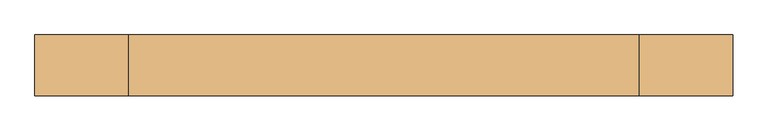
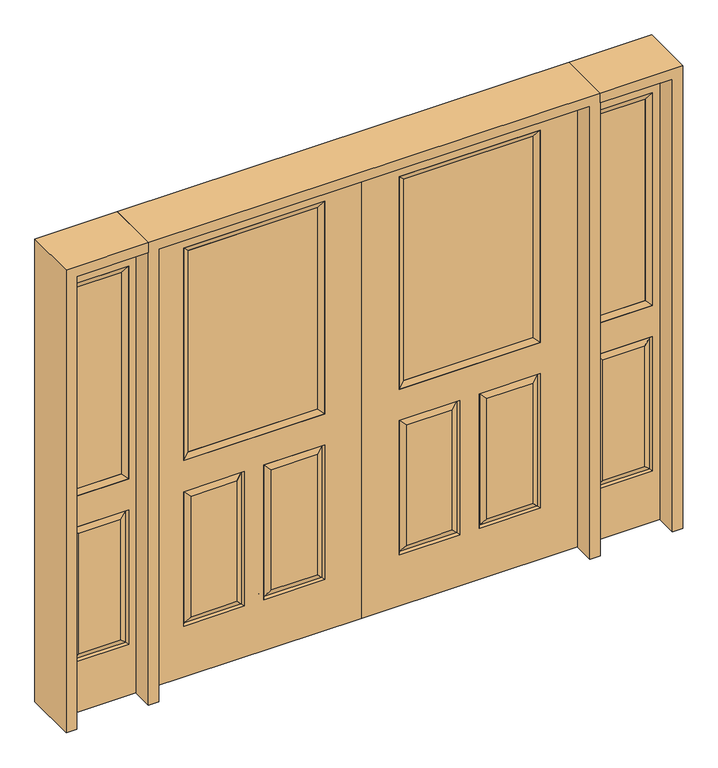
"""IFC4 building model written with IfcOpenShell, lengths in millimetres: door geometry."""

import ifcopenshell
import ifcopenshell.guid

model = None  # the IFC model being written
_history = None  # IfcOwnerHistory: only IFC2X3 demands one
_inside = {}  # id of a spatial element -> (the spatial element, [elements in it])
_under = {}  # id of a project, library or spatial element -> (it, [spatial elements below it])
_declared = {}  # id of a project -> (the project, [libraries it declares])
_typed = {}  # id of a type object -> (the type object, [elements of that type])
_made_of = {}  # id of a material, layer set ... -> (it, [elements and type objects made of it])


def new_model(schema):
    """Start an empty IFC model of exactly this schema.

    Asked for "IFC4X3", IfcOpenShell would pick the latest addendum, in which some entities
    have other attributes; the version numbers below select the first issue.
    IFC2X3 requires an IfcOwnerHistory on every rooted entity: one is made here for all.
    """
    global model, _history
    if schema == "IFC4X3":
        model = ifcopenshell.file(schema_version=(4, 3, 0, 0))
    else:
        model = ifcopenshell.file(schema=schema)
    _inside.clear()
    _under.clear()
    _declared.clear()
    _typed.clear()
    _made_of.clear()
    _history = None
    if model.schema == "IFC2X3":
        org = make("IfcOrganization", Name="unknown")
        user = make(
            "IfcPersonAndOrganization",
            ThePerson=make("IfcPerson", FamilyName="unknown"),
            TheOrganization=org,
        )
        app = make(
            "IfcApplication",
            ApplicationDeveloper=org,
            Version="unknown",
            ApplicationFullName="unknown",
            ApplicationIdentifier="unknown",
        )
        _history = make(
            "IfcOwnerHistory",
            OwningUser=user,
            OwningApplication=app,
            ChangeAction="ADDED",
            CreationDate=0,
        )
    return model


def make(cls, **values):
    """One entity of the class cls with the attributes given. An attribute that is None is left unset."""
    return model.create_entity(
        cls, **{name: value for name, value in values.items() if value is not None}
    )


def rooted(cls, **values):
    """An entity with a GlobalId (a new one), such as an element, a storey or a relation."""
    return make(cls, GlobalId=ifcopenshell.guid.new(), OwnerHistory=_history, **values)


def si_unit(unit_type, name, prefix=None):
    """IfcSIUnit, for example si_unit("LENGTHUNIT", "METRE", prefix="MILLI")."""
    return make("IfcSIUnit", UnitType=unit_type, Prefix=prefix, Name=name)


def assignment(units):
    """IfcUnitAssignment: the units of a project."""
    return None if units is None else make("IfcUnitAssignment", Units=units)


def point(xyz):
    """IfcCartesianPoint."""
    return None if xyz is None else make("IfcCartesianPoint", Coordinates=xyz)


def direction(xyz):
    """IfcDirection."""
    return None if xyz is None else make("IfcDirection", DirectionRatios=xyz)


def frame(location, z_axis=None, x_axis=None):
    """IfcAxis2Placement3D, a coordinate frame: its origin and axes. An axis left out is left unset."""
    return make(
        "IfcAxis2Placement3D",
        Location=point(location),
        Axis=direction(z_axis),
        RefDirection=direction(x_axis),
    )


def origin():
    """The frame at (0, 0, 0) with its axes left unset."""
    return frame((0.0, 0.0, 0.0))


def place(relative_to, where):
    """IfcLocalPlacement: puts the frame where relative to a parent placement (None: the world)."""
    return make(
        "IfcLocalPlacement", PlacementRelTo=relative_to, RelativePlacement=where
    )


def context(
    kind, dimensions, precision=None, world=None, true_north=None, identifier=None
):
    """IfcGeometricRepresentationContext, for example the 3D "Model" context."""
    return make(
        "IfcGeometricRepresentationContext",
        ContextIdentifier=identifier,
        ContextType=kind,
        CoordinateSpaceDimension=dimensions,
        Precision=precision,
        WorldCoordinateSystem=world,
        TrueNorth=true_north,
    )


def project(units=None, contexts=None):
    """IfcProject with its units and contexts."""
    return rooted(
        "IfcProject",
        Name="project",
        RepresentationContexts=contexts,
        UnitsInContext=assignment(units),
    )


def spatial(cls, under=None, at=None, **own):
    """A site, building, storey or space (cls), placed at a placement, below another one or the project."""
    s = rooted(cls, ObjectPlacement=at, **own)
    if under is not None:
        _under.setdefault(under.id(), (under, []))[1].append(s)
    return s


def polyline(points):
    """IfcPolyline through the points."""
    return make("IfcPolyline", Points=[point(p) for p in points])


def outline(outer, holes=None, kind="AREA"):
    """IfcArbitraryClosedProfileDef: a profile drawn as a closed curve; with holes, ...WithVoids."""
    if holes is None:
        return make("IfcArbitraryClosedProfileDef", ProfileType=kind, OuterCurve=outer)
    return make(
        "IfcArbitraryProfileDefWithVoids",
        ProfileType=kind,
        OuterCurve=outer,
        InnerCurves=holes,
    )


def extrude(swept, where, along, depth):
    """IfcExtrudedAreaSolid: the profile swept, set in the frame where, extruded along a direction by depth."""
    return make(
        "IfcExtrudedAreaSolid",
        SweptArea=swept,
        Position=where,
        ExtrudedDirection=direction(along),
        Depth=depth,
    )


def faces_of(points, faces, orient=None, outer=None):
    """IfcFace entities. A face is a list of loops; a loop is a list of indices into points, from 0.

    orient and outer hold one flag for each loop. By default every Orientation is true, the
    first loop of a face is its IfcFaceOuterBound and the others are IfcFaceBound.
    """
    made = []
    for i, loops in enumerate(faces):
        bounds = []
        for j, loop in enumerate(loops):
            is_outer = j == 0 if outer is None else outer[i][j]
            bounds.append(
                make(
                    "IfcFaceOuterBound" if is_outer else "IfcFaceBound",
                    Bound=make("IfcPolyLoop", Polygon=[points[k] for k in loop]),
                    Orientation=True if orient is None else orient[i][j],
                )
            )
        made.append(make("IfcFace", Bounds=bounds))
    return made


def faceted_brep(points, faces, orient=None, outer=None, voids=None):
    """IfcFacetedBrep: a solid bounded by flat faces; with voids (closed shells), ...WithVoids."""
    shared = [point(p) for p in points]
    hull = make("IfcClosedShell", CfsFaces=faces_of(shared, faces, orient, outer))
    if voids is None:
        return make("IfcFacetedBrep", Outer=hull)
    return make(
        "IfcFacetedBrepWithVoids",
        Outer=hull,
        Voids=[
            make(cls, CfsFaces=faces_of(shared, fs, o, b)) for cls, fs, o, b in voids
        ],
    )


def shape(context_of_items, identifier, shape_type, items):
    """IfcShapeRepresentation: the items that make up one representation, for example the "Body"."""
    return make(
        "IfcShapeRepresentation",
        ContextOfItems=context_of_items,
        RepresentationIdentifier=identifier,
        RepresentationType=shape_type,
        Items=items,
    )


def source(mapping_origin, context_of_items, identifier, shape_type, items):
    """IfcRepresentationMap: a shape defined once, which mapped items show again and again."""
    return make(
        "IfcRepresentationMap",
        MappingOrigin=mapping_origin,
        MappedRepresentation=shape(context_of_items, identifier, shape_type, items),
    )


def transform(
    local_origin,
    x_axis=None,
    y_axis=None,
    z_axis=None,
    scale=None,
    scale2=None,
    scale3=None,
    uniform=True,
):
    """IfcCartesianTransformationOperator3D, or its non-uniform kind. x_axis, y_axis, z_axis: its Axis1, 2, 3."""
    if uniform:
        return make(
            "IfcCartesianTransformationOperator3D",
            Axis1=direction(x_axis),
            Axis2=direction(y_axis),
            LocalOrigin=point(local_origin),
            Scale=scale,
            Axis3=direction(z_axis),
        )
    return make(
        "IfcCartesianTransformationOperator3DnonUniform",
        Axis1=direction(x_axis),
        Axis2=direction(y_axis),
        LocalOrigin=point(local_origin),
        Scale=scale,
        Axis3=direction(z_axis),
        Scale2=scale2,
        Scale3=scale3,
    )


def mapped(mapping_source, mapping_target):
    """IfcMappedItem: shows the shape of a source again, moved by a transform."""
    return make(
        "IfcMappedItem", MappingSource=mapping_source, MappingTarget=mapping_target
    )


def made_of(thing, what):
    """Note that an element or type object is made of a material, layer set ...; save() writes the relation."""
    if what is not None:
        _made_of.setdefault(what.id(), (what, []))[1].append(thing)
    return thing


def element(
    cls,
    number,
    at=None,
    inside=None,
    cuts=None,
    type_object=None,
    material=None,
    context=None,
    identifier="Body",
    shape_type=None,
    held_by="IfcProductDefinitionShape",
    body=None,
    shapes=None,
    **own,
):
    """One element of the class cls, such as IfcWall. Its Tag is "e" and its number.

    at: its placement. inside: the storey or other place that contains it. cuts: it is an
    opening in that element (IfcRelVoidsElement). A single representation is given by context,
    identifier, shape_type and body (its items); several are given by shapes. held_by: the class
    of the entity that holds the representations. save() writes the other relations.
    """
    e = rooted(cls, Tag="e%d" % number, ObjectPlacement=at, **own)
    if body is not None:
        shapes = [shape(context, identifier, shape_type, body)]
    if shapes is not None:
        e.Representation = make(held_by, Representations=shapes)
    if inside is not None:
        _inside.setdefault(inside.id(), (inside, []))[1].append(e)
    if cuts is not None:
        rooted(
            "IfcRelVoidsElement", RelatingBuildingElement=cuts, RelatedOpeningElement=e
        )
    if type_object is not None:
        _typed.setdefault(type_object.id(), (type_object, []))[1].append(e)
    return made_of(e, material)


def aggregate(whole, parts):
    """IfcRelAggregates: a whole, such as a stair, and the parts it consists of."""
    return rooted("IfcRelAggregates", RelatingObject=whole, RelatedObjects=parts)


def save(model, path):
    """Write the relations noted so far, then the file.

    IfcRelAggregates (storeys below a building ...), IfcRelContainedInSpatialStructure (elements
    in a storey), IfcRelDefinesByType, IfcRelAssociatesMaterial and IfcRelDeclares: one each for
    every whole, place, type object, material and project.
    """
    for whole, parts in _under.values():
        aggregate(whole, parts)
    for where, things in _inside.values():
        rooted(
            "IfcRelContainedInSpatialStructure",
            RelatedElements=things,
            RelatingStructure=where,
        )
    for kind, things in _typed.values():
        rooted("IfcRelDefinesByType", RelatedObjects=things, RelatingType=kind)
    for what, things in _made_of.values():
        rooted("IfcRelAssociatesMaterial", RelatedObjects=things, RelatingMaterial=what)
    for by, libraries in _declared.values():
        rooted("IfcRelDeclares", RelatingContext=by, RelatedDefinitions=libraries)
    model.write(path)


def door_78c6588a(model_context):
    return source(origin(), model_context, "Body", "SolidModel", [
        faceted_brep([(914.4, -22.225, 0.0), (914.4, -22.225, 2032.0), (0.0, -22.225, 2032.0), (0.0, -22.225, 0.0), (756.539, -22.225, 971.55), (157.861, -22.225, 971.55), (157.861, -22.225, 1925.574), (756.539, -22.225, 1925.574), (756.539, -22.225, 831.85), (756.539, -22.225, 228.6), (498.475, -22.225, 228.6), (498.475, -22.225, 831.85), (415.925, -22.225, 831.85), (415.925, -22.225, 228.6), (157.861, -22.225, 228.6), (157.861, -22.225, 831.85), (530.225, -22.225, 800.1), (530.225, -22.225, 260.35), (724.789, -22.225, 260.35), (724.789, -22.225, 800.1), (189.611, -22.225, 800.1), (189.611, -22.225, 260.35), (384.175, -22.225, 260.35), (384.175, -22.225, 800.1), (0.0, 22.225, 0.0), (914.4, 22.225, 0.0), (0.0, 22.225, 2032.0), (914.4, 22.225, 2032.0), (756.539, 22.225, 1925.574), (756.539, 22.225, 971.55), (157.861, 22.225, 971.55), (157.861, 22.225, 1925.574), (749.39525, -12.7449236, 824.70625), (505.61875, -12.7449236, 824.70625), (749.39525, -12.7449236, 235.74375), (505.61875, -12.7449236, 235.74375), (165.00475, -12.7449236, 824.70625), (408.78125, -12.7449236, 824.70625), (408.78125, -12.7449236, 235.74375), (165.00475, -12.7449236, 235.74375), (498.475, 22.225, 831.85), (498.475, 22.225, 228.6), (756.539, 22.225, 228.6), (756.539, 22.225, 831.85), (157.861, 22.225, 831.85), (157.861, 22.225, 228.6), (415.925, 22.225, 228.6), (415.925, 22.225, 831.85), (724.789, 22.225, 800.1), (724.789, 22.225, 260.35), (530.225, 22.225, 260.35), (530.225, 22.225, 800.1), (384.175, 22.225, 800.1), (384.175, 22.225, 260.35), (189.611, 22.225, 260.35), (189.611, 22.225, 800.1), (749.39525, 12.7449236, 824.70625), (505.61875, 12.7449236, 824.70625), (505.61875, 12.7449236, 235.74375), (749.39525, 12.7449236, 235.74375), (165.00475, 12.7449236, 824.70625), (408.78125, 12.7449236, 824.70625), (165.00475, 12.7449236, 235.74375), (408.78125, 12.7449236, 235.74375)], [[[0, 1, 2, 3], [4, 5, 6, 7], [8, 9, 10, 11], [12, 13, 14, 15]], [[16, 17, 18, 19]], [[20, 21, 22, 23]], [[3, 24, 25, 0]], [[2, 26, 24, 3]], [[0, 25, 27, 1]], [[7, 28, 29, 4]], [[5, 30, 31, 6]], [[4, 29, 30, 5]], [[16, 19, 32, 33]], [[19, 18, 34, 32]], [[35, 34, 18, 17]], [[33, 35, 17, 16]], [[32, 8, 11, 33]], [[11, 10, 35, 33]], [[10, 9, 34, 35]], [[32, 34, 9, 8]], [[36, 20, 23, 37]], [[23, 22, 38, 37]], [[22, 21, 39, 38]], [[36, 39, 21, 20]], [[37, 12, 15, 36]], [[15, 14, 39, 36]], [[38, 39, 14, 13]], [[37, 38, 13, 12]], [[25, 24, 26, 27], [29, 28, 31, 30], [40, 41, 42, 43], [44, 45, 46, 47]], [[48, 49, 50, 51]], [[52, 53, 54, 55]], [[56, 48, 51, 57]], [[51, 50, 58, 57]], [[50, 49, 59, 58]], [[56, 59, 49, 48]], [[57, 40, 43, 56]], [[43, 42, 59, 56]], [[58, 59, 42, 41]], [[57, 58, 41, 40]], [[52, 55, 60, 61]], [[55, 54, 62, 60]], [[63, 62, 54, 53]], [[61, 63, 53, 52]], [[60, 44, 47, 61]], [[47, 46, 63, 61]], [[46, 45, 62, 63]], [[60, 62, 45, 44]], [[1, 27, 26, 2]], [[6, 31, 28, 7]]]),
        extrude(outline(polyline([(183.261, -12.7), (183.261, 12.7), (731.139, 12.7), (731.139, -12.7), (183.261, -12.7)])), frame((0.0, 0.0, 996.95), z_axis=(0.0, 0.0, 1.0), x_axis=(1.0, 0.0, 0.0)), (0.0, 0.0, 1.0), 903.224),
        faceted_brep([(756.539, -22.225, 1925.574), (756.539, -22.225, 971.55), (756.539, 22.225, 971.55), (756.539, 22.225, 1925.574), (157.861, -22.225, 971.55), (157.861, 22.225, 971.55), (183.261, 12.7, 996.95), (731.139, 12.7, 996.95), (157.861, -22.225, 1925.574), (157.861, 22.225, 1925.574), (731.139, -12.7, 996.95), (183.261, -12.7, 996.95), (731.139, -12.7, 1900.174), (183.261, -12.7, 1900.174), (731.139, 12.7, 1900.174), (183.261, 12.7, 1900.174)], [[[0, 1, 2, 3]], [[1, 4, 5, 2]], [[2, 5, 6, 7]], [[4, 8, 9, 5]], [[10, 11, 4, 1]], [[12, 10, 1, 0]], [[11, 13, 8, 4]], [[7, 6, 11, 10]], [[14, 7, 10, 12]], [[6, 15, 13, 11]], [[3, 2, 7, 14]], [[5, 9, 15, 6]], [[8, 0, 3, 9]], [[13, 12, 0, 8]], [[15, 14, 12, 13]], [[9, 3, 14, 15]]]),
        faceted_brep([(-914.4, -22.225, 0.0), (0.0, -22.225, 0.0), (0.0, -22.225, 2032.0), (-914.4, -22.225, 2032.0), (-756.539, -22.225, 971.55), (-756.539, -22.225, 1925.574), (-157.861, -22.225, 1925.574), (-157.861, -22.225, 971.55), (-756.539, -22.225, 831.85), (-498.475, -22.225, 831.85), (-498.475, -22.225, 228.6), (-756.539, -22.225, 228.6), (-415.925, -22.225, 831.85), (-157.861, -22.225, 831.85), (-157.861, -22.225, 228.6), (-415.925, -22.225, 228.6), (-530.225, -22.225, 800.1), (-724.789, -22.225, 800.1), (-724.789, -22.225, 260.35), (-530.225, -22.225, 260.35), (-189.611, -22.225, 800.1), (-384.175, -22.225, 800.1), (-384.175, -22.225, 260.35), (-189.611, -22.225, 260.35), (-914.4, 22.225, 0.0), (0.0, 22.225, 0.0), (0.0, 22.225, 2032.0), (-914.4, 22.225, 2032.0), (-756.539, 22.225, 971.55), (-756.539, 22.225, 1925.574), (-157.861, 22.225, 1925.574), (-157.861, 22.225, 971.55), (-505.61875, -12.7449236, 824.70625), (-749.39525, -12.7449236, 824.70625), (-749.39525, -12.7449236, 235.74375), (-505.61875, -12.7449236, 235.74375), (-165.00475, -12.7449236, 824.70625), (-408.78125, -12.7449236, 824.70625), (-408.78125, -12.7449236, 235.74375), (-165.00475, -12.7449236, 235.74375), (-498.475, 22.225, 831.85), (-756.539, 22.225, 831.85), (-756.539, 22.225, 228.6), (-498.475, 22.225, 228.6), (-157.861, 22.225, 831.85), (-415.925, 22.225, 831.85), (-415.925, 22.225, 228.6), (-157.861, 22.225, 228.6), (-724.789, 22.225, 800.1), (-530.225, 22.225, 800.1), (-530.225, 22.225, 260.35), (-724.789, 22.225, 260.35), (-384.175, 22.225, 800.1), (-189.611, 22.225, 800.1), (-189.611, 22.225, 260.35), (-384.175, 22.225, 260.35), (-749.39525, 12.7449236, 824.70625), (-505.61875, 12.7449236, 824.70625), (-505.61875, 12.7449236, 235.74375), (-749.39525, 12.7449236, 235.74375), (-408.78125, 12.7449236, 824.70625), (-165.00475, 12.7449236, 824.70625), (-165.00475, 12.7449236, 235.74375), (-408.78125, 12.7449236, 235.74375)], [[[0, 1, 2, 3], [4, 5, 6, 7], [8, 9, 10, 11], [12, 13, 14, 15]], [[16, 17, 18, 19]], [[20, 21, 22, 23]], [[1, 0, 24, 25]], [[2, 1, 25, 26]], [[0, 3, 27, 24]], [[5, 4, 28, 29]], [[7, 6, 30, 31]], [[4, 7, 31, 28]], [[16, 32, 33, 17]], [[17, 33, 34, 18]], [[35, 19, 18, 34]], [[32, 16, 19, 35]], [[33, 32, 9, 8]], [[9, 32, 35, 10]], [[10, 35, 34, 11]], [[33, 8, 11, 34]], [[36, 37, 21, 20]], [[21, 37, 38, 22]], [[22, 38, 39, 23]], [[36, 20, 23, 39]], [[37, 36, 13, 12]], [[13, 36, 39, 14]], [[38, 15, 14, 39]], [[37, 12, 15, 38]], [[24, 27, 26, 25], [28, 31, 30, 29], [40, 41, 42, 43], [44, 45, 46, 47]], [[48, 49, 50, 51]], [[52, 53, 54, 55]], [[56, 57, 49, 48]], [[49, 57, 58, 50]], [[50, 58, 59, 51]], [[56, 48, 51, 59]], [[57, 56, 41, 40]], [[41, 56, 59, 42]], [[58, 43, 42, 59]], [[57, 40, 43, 58]], [[52, 60, 61, 53]], [[53, 61, 62, 54]], [[63, 55, 54, 62]], [[60, 52, 55, 63]], [[61, 60, 45, 44]], [[45, 60, 63, 46]], [[46, 63, 62, 47]], [[61, 44, 47, 62]], [[3, 2, 26, 27]], [[6, 5, 29, 30]]]),
        extrude(outline(polyline([(-183.261, -12.7), (-731.139, -12.7), (-731.139, 12.7), (-183.261, 12.7), (-183.261, -12.7)])), frame((0.0, 0.0, 996.95), z_axis=(0.0, 0.0, 1.0), x_axis=(1.0, 0.0, 0.0)), (0.0, 0.0, 1.0), 903.224),
        faceted_brep([(-756.539, -22.225, 1925.574), (-756.539, 22.225, 1925.574), (-756.539, 22.225, 971.55), (-756.539, -22.225, 971.55), (-157.861, 22.225, 971.55), (-157.861, -22.225, 971.55), (-731.139, 12.7, 996.95), (-183.261, 12.7, 996.95), (-157.861, 22.225, 1925.574), (-157.861, -22.225, 1925.574), (-731.139, -12.7, 996.95), (-183.261, -12.7, 996.95), (-731.139, -12.7, 1900.174), (-183.261, -12.7, 1900.174), (-731.139, 12.7, 1900.174), (-183.261, 12.7, 1900.174)], [[[0, 1, 2, 3]], [[3, 2, 4, 5]], [[2, 6, 7, 4]], [[5, 4, 8, 9]], [[10, 3, 5, 11]], [[12, 0, 3, 10]], [[11, 5, 9, 13]], [[6, 10, 11, 7]], [[14, 12, 10, 6]], [[7, 11, 13, 15]], [[1, 14, 6, 2]], [[4, 7, 15, 8]], [[9, 8, 1, 0]], [[13, 9, 0, 12]], [[15, 13, 12, 14]], [[8, 15, 14, 1]]]),
        faceted_brep([(1263.65, -22.225, 0.0), (1263.65, -22.225, 2032.0), (958.85, -22.225, 2032.0), (958.85, -22.225, 0.0), (989.838, -22.225, 1925.574), (1232.662, -22.225, 1925.574), (1232.662, -22.225, 971.55), (989.838, -22.225, 971.55), (989.838, -22.225, 228.6), (989.838, -22.225, 831.85), (1232.662, -22.225, 831.85), (1232.662, -22.225, 228.6), (1200.7559872, -22.225, 260.5060128), (1200.7559872, -22.225, 799.9439872), (1021.7440128, -22.225, 799.9439872), (1021.7440128, -22.225, 260.5060128), (958.85, 22.225, 0.0), (1263.65, 22.225, 0.0), (958.85, 22.225, 2032.0), (1263.65, 22.225, 2032.0), (989.838, 22.225, 971.55), (989.838, 22.225, 1925.574), (1232.662, 22.225, 971.55), (1232.662, 22.225, 1925.574), (1232.662, 22.225, 228.6), (1232.662, 22.225, 831.85), (989.838, 22.225, 831.85), (989.838, 22.225, 228.6), (1021.7440128, 22.225, 260.5060128), (1021.7440128, 22.225, 799.9439872), (1200.7559872, 22.225, 799.9439872), (1200.7559872, 22.225, 260.5060128), (1225.7419933, -13.0418409, 235.5200067), (996.7580067, -13.0418409, 235.5200067), (1225.7419933, -13.0418409, 824.9299933), (996.7580067, -13.0418409, 824.9299933), (1225.7419933, 13.0418409, 235.5200067), (996.7580067, 13.0418409, 235.5200067), (996.7580067, 13.0418409, 824.9299933), (1225.7419933, 13.0418409, 824.9299933)], [[[0, 1, 2, 3], [4, 5, 6, 7], [8, 9, 10, 11]], [[12, 13, 14, 15]], [[3, 16, 17, 0]], [[2, 18, 16, 3]], [[0, 17, 19, 1]], [[7, 20, 21, 4]], [[6, 22, 20, 7]], [[5, 23, 22, 6]], [[17, 16, 18, 19], [21, 20, 22, 23], [24, 25, 26, 27]], [[28, 29, 30, 31]], [[1, 19, 18, 2]], [[4, 21, 23, 5]], [[8, 11, 32, 33]], [[11, 10, 34, 32]], [[35, 34, 10, 9]], [[33, 35, 9, 8]], [[32, 12, 15, 33]], [[15, 14, 35, 33]], [[14, 13, 34, 35]], [[32, 34, 13, 12]], [[36, 24, 27, 37]], [[27, 26, 38, 37]], [[26, 25, 39, 38]], [[36, 39, 25, 24]], [[37, 28, 31, 36]], [[31, 30, 39, 36]], [[38, 39, 30, 29]], [[37, 38, 29, 28]]]),
        extrude(outline(polyline([(1015.238, -12.7), (1015.238, 12.7), (1207.262, 12.7), (1207.262, -12.7), (1015.238, -12.7)])), frame((0.0, 0.0, 996.95), z_axis=(0.0, 0.0, 1.0), x_axis=(1.0, 0.0, 0.0)), (0.0, 0.0, 1.0), 903.224),
        faceted_brep([(1232.662, -22.225, 1925.574), (1232.662, -22.225, 971.55), (1232.662, 22.225, 971.55), (1232.662, 22.225, 1925.574), (989.838, -22.225, 971.55), (989.838, 22.225, 971.55), (1015.238, 12.7, 996.95), (1207.262, 12.7, 996.95), (989.838, -22.225, 1925.574), (989.838, 22.225, 1925.574), (1207.262, -12.7, 996.95), (1015.238, -12.7, 996.95), (1207.262, -12.7, 1900.174), (1015.238, -12.7, 1900.174), (1207.262, 12.7, 1900.174), (1015.238, 12.7, 1900.174)], [[[0, 1, 2, 3]], [[1, 4, 5, 2]], [[2, 5, 6, 7]], [[4, 8, 9, 5]], [[10, 11, 4, 1]], [[12, 10, 1, 0]], [[11, 13, 8, 4]], [[7, 6, 11, 10]], [[14, 7, 10, 12]], [[6, 15, 13, 11]], [[3, 2, 7, 14]], [[5, 9, 15, 6]], [[8, 0, 3, 9]], [[13, 12, 0, 8]], [[15, 14, 12, 13]], [[9, 3, 14, 15]]]),
        faceted_brep([(-1263.65, -22.225, 0.0), (-958.85, -22.225, 0.0), (-958.85, -22.225, 2032.0), (-1263.65, -22.225, 2032.0), (-989.838, -22.225, 1925.574), (-989.838, -22.225, 971.55), (-1232.662, -22.225, 971.55), (-1232.662, -22.225, 1925.574), (-989.838, -22.225, 228.6), (-1232.662, -22.225, 228.6), (-1232.662, -22.225, 831.85), (-989.838, -22.225, 831.85), (-1200.7559872, -22.225, 260.5060128), (-1021.7440128, -22.225, 260.5060128), (-1021.7440128, -22.225, 799.9439872), (-1200.7559872, -22.225, 799.9439872), (-1263.65, 22.225, 0.0), (-958.85, 22.225, 0.0), (-958.85, 22.225, 2032.0), (-1263.65, 22.225, 2032.0), (-989.838, 22.225, 1925.574), (-989.838, 22.225, 971.55), (-1232.662, 22.225, 971.55), (-1232.662, 22.225, 1925.574), (-1232.662, 22.225, 228.6), (-989.838, 22.225, 228.6), (-989.838, 22.225, 831.85), (-1232.662, 22.225, 831.85), (-1021.7440128, 22.225, 260.5060128), (-1200.7559872, 22.225, 260.5060128), (-1200.7559872, 22.225, 799.9439872), (-1021.7440128, 22.225, 799.9439872), (-996.7580067, -13.0418409, 235.5200067), (-1225.7419933, -13.0418409, 235.5200067), (-1225.7419933, -13.0418409, 824.9299933), (-996.7580067, -13.0418409, 824.9299933), (-1225.7419933, 13.0418409, 235.5200067), (-996.7580067, 13.0418409, 235.5200067), (-996.7580067, 13.0418409, 824.9299933), (-1225.7419933, 13.0418409, 824.9299933)], [[[0, 1, 2, 3], [4, 5, 6, 7], [8, 9, 10, 11]], [[12, 13, 14, 15]], [[1, 0, 16, 17]], [[2, 1, 17, 18]], [[0, 3, 19, 16]], [[5, 4, 20, 21]], [[6, 5, 21, 22]], [[7, 6, 22, 23]], [[16, 19, 18, 17], [20, 23, 22, 21], [24, 25, 26, 27]], [[28, 29, 30, 31]], [[3, 2, 18, 19]], [[4, 7, 23, 20]], [[8, 32, 33, 9]], [[9, 33, 34, 10]], [[35, 11, 10, 34]], [[32, 8, 11, 35]], [[33, 32, 13, 12]], [[13, 32, 35, 14]], [[14, 35, 34, 15]], [[33, 12, 15, 34]], [[36, 37, 25, 24]], [[25, 37, 38, 26]], [[26, 38, 39, 27]], [[36, 24, 27, 39]], [[37, 36, 29, 28]], [[29, 36, 39, 30]], [[38, 31, 30, 39]], [[37, 28, 31, 38]]]),
        extrude(outline(polyline([(-1015.238, -12.7), (-1207.262, -12.7), (-1207.262, 12.7), (-1015.238, 12.7), (-1015.238, -12.7)])), frame((0.0, 0.0, 996.95), z_axis=(0.0, 0.0, 1.0), x_axis=(1.0, 0.0, 0.0)), (0.0, 0.0, 1.0), 903.224),
        faceted_brep([(-1232.662, -22.225, 1925.574), (-1232.662, 22.225, 1925.574), (-1232.662, 22.225, 971.55), (-1232.662, -22.225, 971.55), (-989.838, 22.225, 971.55), (-989.838, -22.225, 971.55), (-1207.262, 12.7, 996.95), (-1015.238, 12.7, 996.95), (-989.838, 22.225, 1925.574), (-989.838, -22.225, 1925.574), (-1207.262, -12.7, 996.95), (-1015.238, -12.7, 996.95), (-1207.262, -12.7, 1900.174), (-1015.238, -12.7, 1900.174), (-1207.262, 12.7, 1900.174), (-1015.238, 12.7, 1900.174)], [[[0, 1, 2, 3]], [[3, 2, 4, 5]], [[2, 6, 7, 4]], [[5, 4, 8, 9]], [[10, 3, 5, 11]], [[12, 0, 3, 10]], [[11, 5, 9, 13]], [[6, 10, 11, 7]], [[14, 12, 10, 6]], [[7, 11, 13, 15]], [[1, 14, 6, 2]], [[4, 7, 15, 8]], [[9, 8, 1, 0]], [[13, 9, 0, 12]], [[15, 13, 12, 14]], [[8, 15, 14, 1]]]),
        extrude(outline(polyline([(2032.0, -958.85), (2076.45, -958.85), (2076.45, -1308.1), (0.0, -1308.1), (0.0, -1263.65), (2032.0, -1263.65), (2032.0, -958.85)])), frame((0.0, -114.3, 0.0), z_axis=(0.0, 1.0, 0.0), x_axis=(0.0, 0.0, 1.0)), (0.0, 0.0, 1.0), 228.6),
        extrude(outline(polyline([(2076.45, 958.85), (2032.0, 958.85), (2032.0, 1263.65), (0.0, 1263.65), (0.0, 1308.1), (2076.45, 1308.1), (2076.45, 958.85)])), frame((0.0, -114.3, 0.0), z_axis=(0.0, 1.0, 0.0), x_axis=(0.0, 0.0, 1.0)), (0.0, 0.0, 1.0), 228.6),
        extrude(outline(polyline([(0.0, -958.85), (0.0, -914.4), (2032.0, -914.4), (2032.0, 914.4), (0.0, 914.4), (0.0, 958.85), (2076.45, 958.85), (2076.45, -958.85), (0.0, -958.85)])), frame((0.0, -114.3, 0.0), z_axis=(0.0, 1.0, 0.0), x_axis=(0.0, 0.0, 1.0)), (0.0, 0.0, 1.0), 228.6),
    ])


if __name__ == "__main__":
    model = new_model("IFC4")
    model_context = context("Model", 3, world=origin())
    ifc_project = project(units=[si_unit("LENGTHUNIT", "METRE", prefix="MILLI")], contexts=[model_context])
    site = spatial("IfcSite", under=ifc_project)
    building = spatial("IfcBuilding", under=site)
    placement = place(None, origin())
    door_shape = door_78c6588a(model_context)
    element("IfcDoor", 1, at=placement, inside=building, context=model_context, shape_type="MappedRepresentation", body=[
        mapped(door_shape, transform((0.0, 0.0, 0.0), x_axis=(1.0, 0.0, 0.0), y_axis=(0.0, 1.0, 0.0), z_axis=(0.0, 0.0, 1.0))),
    ])
    save(model, "model.ifc")
